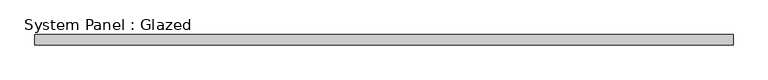
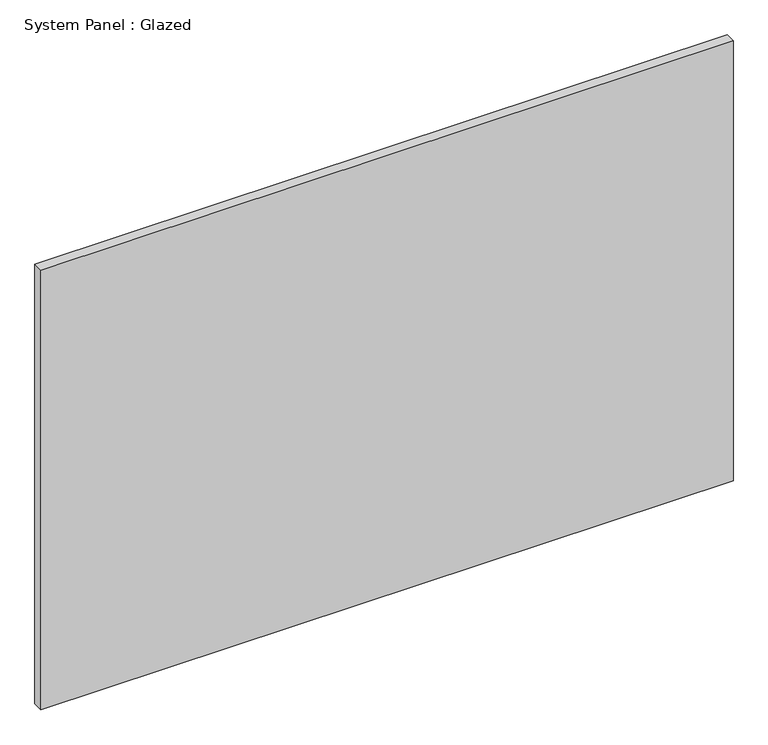
"""IFC4 building model written with IfcOpenShell, lengths in millimetres: plate geometry, System Panel : Glazed."""

from ifc_helpers import new_model, si_unit, origin, origin_with_axes, place, context, project, spatial, polyline, outline, extrude, source, transform, mapped, element, save


def system_panel_glazed_a28412d0(model_context):
    return source(origin(), model_context, "Body", "SweptSolid", [
        extrude(outline(polyline([(850.9, -12.7), (-850.9, -12.7), (-850.9, 12.7), (850.9, 12.7), (850.9, -12.7)])), origin_with_axes(), (0.0, 0.0, 1.0), 1143.0),
    ])


if __name__ == "__main__":
    model = new_model("IFC4")
    model_context = context("Model", 3, world=origin())
    ifc_project = project(units=[si_unit("LENGTHUNIT", "METRE", prefix="MILLI")], contexts=[model_context])
    site = spatial("IfcSite", under=ifc_project)
    building = spatial("IfcBuilding", under=site)
    placement = place(None, origin())
    system_panel_glazed_shape = system_panel_glazed_a28412d0(model_context)
    element("IfcPlate", 1, ObjectType="System Panel : Glazed", at=placement, inside=building, context=model_context, shape_type="MappedRepresentation", body=[
        mapped(system_panel_glazed_shape, transform((0.0, 0.0, 0.0), x_axis=(1.0, 0.0, 0.0), y_axis=(0.0, 1.0, 0.0), z_axis=(0.0, 0.0, 1.0))),
    ])
    save(model, "model.ifc")
